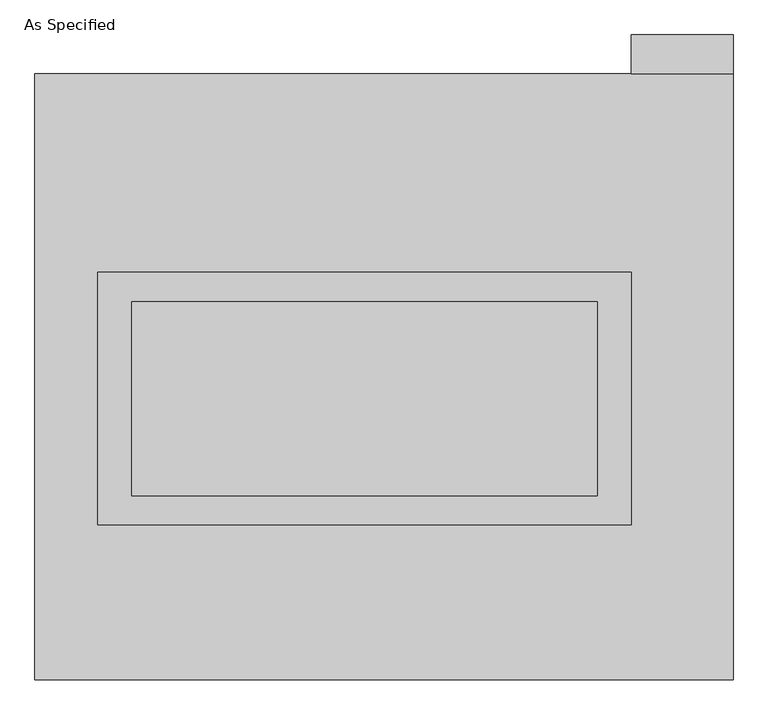
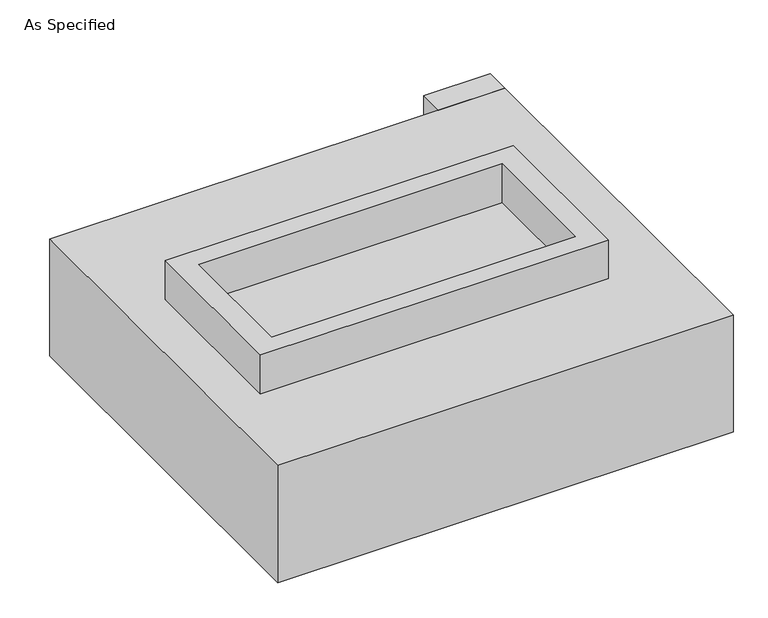
"""IFC4 building model written with IfcOpenShell, lengths in millimetres: proxy geometry, As Specified."""

from ifc_helpers import new_model, si_unit, frame, origin, place, context, project, spatial, polyline, outline, extrude, faceted_brep, source, transform, mapped, element, save


def as_specified_e49d6c37(model_context):
    return source(origin(), model_context, "Body", "SolidModel", [
        extrude(outline(polyline([(698.5, 273.05), (698.5, -387.35), (-698.5, -387.35), (-698.5, 273.05), (698.5, 273.05)]), holes=[polyline([(609.6, 196.85), (-609.6, 196.85), (-609.6, -311.15), (609.6, -311.15), (609.6, 196.85)])]), frame((0.0, 0.0, -25.4), z_axis=(0.0, 0.0, 1.0), x_axis=(1.0, 0.0, 0.0)), (0.0, 0.0, 1.0), 165.1),
        extrude(outline(polyline([(698.5, 793.75), (698.5, 895.35), (965.2, 895.35), (965.2, 793.75), (698.5, 793.75)])), frame((0.0, 0.0, -523.875), z_axis=(0.0, 0.0, 1.0), x_axis=(1.0, 0.0, 0.0)), (0.0, 0.0, 1.0), 498.475),
        extrude(outline(polyline([(609.6, 196.85), (609.6, -311.15), (-609.6, -311.15), (-609.6, 196.85), (609.6, 196.85)])), frame((0.0, 0.0, -30.3609375), z_axis=(0.0, 0.0, 1.0), x_axis=(1.0, 0.0, 0.0)), (0.0, 0.0, 1.0), 4.9609375),
        faceted_brep([(965.2, -793.75, -523.875), (-863.6, -793.75, -523.875), (-863.6, 793.75, -523.875), (965.2, 793.75, -523.875), (965.2, 793.75, -25.4), (-863.6, 793.75, -25.4), (-863.6, -793.75, -25.4), (965.2, -793.75, -25.4), (698.5, 273.05, -25.4), (698.5, -387.35, -25.4), (-698.5, -387.35, -25.4), (-698.5, 273.05, -25.4), (698.5, 273.05, -498.475), (-698.5, 273.05, -498.475), (-698.5, -387.35, -498.475), (698.5, -387.35, -498.475)], [[[0, 1, 2, 3]], [[4, 5, 6, 7], [8, 9, 10, 11]], [[3, 2, 5, 4]], [[2, 1, 6, 5]], [[0, 3, 4, 7]], [[12, 13, 14, 15]], [[14, 13, 11, 10]], [[13, 12, 8, 11]], [[12, 15, 9, 8]], [[10, 9, 15, 14]], [[1, 0, 7, 6]]]),
    ])


if __name__ == "__main__":
    model = new_model("IFC4")
    model_context = context("Model", 3, world=origin())
    ifc_project = project(units=[si_unit("LENGTHUNIT", "METRE", prefix="MILLI")], contexts=[model_context])
    site = spatial("IfcSite", under=ifc_project)
    building = spatial("IfcBuilding", under=site)
    placement = place(None, origin())
    as_specified_shape = as_specified_e49d6c37(model_context)
    element("IfcBuildingElementProxy", 1, Name="As Specified", ObjectType="As Specified", at=placement, inside=building, context=model_context, shape_type="MappedRepresentation", body=[
        mapped(as_specified_shape, transform((0.0, 0.0, 0.0), x_axis=(1.0, 0.0, 0.0), y_axis=(0.0, 1.0, 0.0), z_axis=(0.0, 0.0, 1.0))),
    ])
    save(model, "model.ifc")
